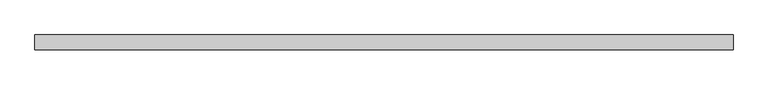
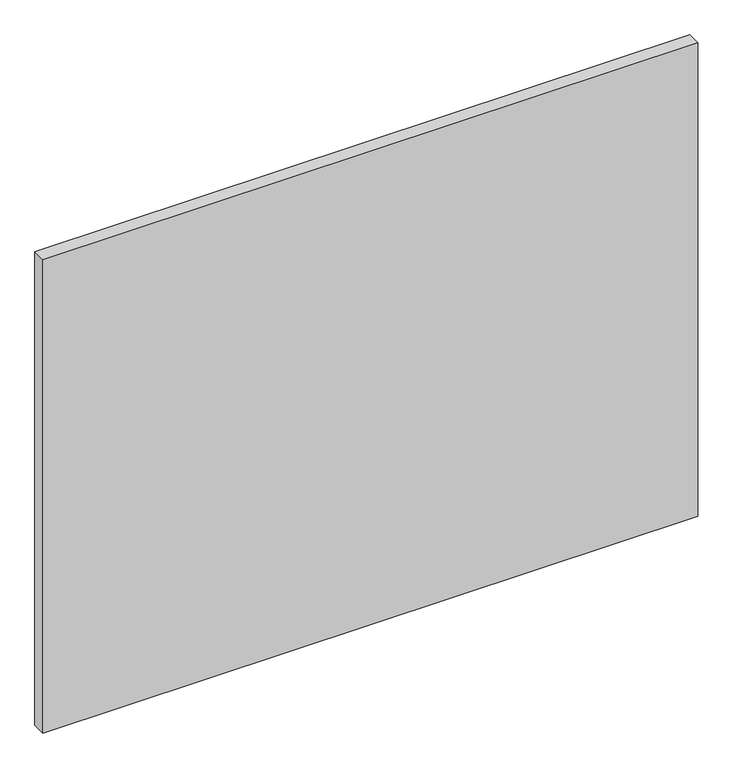
"""IFC4 building model written with IfcOpenShell, lengths in millimetres: proxy geometry."""

from ifc_helpers import new_model, si_unit, origin, origin_with_axes, place, context, project, spatial, polyline, outline, extrude, source, transform, mapped, element, save


def generic_models_a0d1ec78(model_context):
    return source(origin(), model_context, "Body", "SweptSolid", [
        extrude(outline(polyline([(1594.0, 0.0), (1594.0, -68.0), (-1594.0, -68.0), (-1594.0, 0.0), (1594.0, 0.0)])), origin_with_axes(), (0.0, 0.0, 1.0), 2436.4),
    ])


if __name__ == "__main__":
    model = new_model("IFC4")
    model_context = context("Model", 3, world=origin())
    ifc_project = project(units=[si_unit("LENGTHUNIT", "METRE", prefix="MILLI")], contexts=[model_context])
    site = spatial("IfcSite", under=ifc_project)
    building = spatial("IfcBuilding", under=site)
    placement = place(None, origin())
    generic_models_shape = generic_models_a0d1ec78(model_context)
    element("IfcBuildingElementProxy", 1, Name="Generic Models", at=placement, inside=building, context=model_context, shape_type="MappedRepresentation", body=[
        mapped(generic_models_shape, transform((0.0, 0.0, 0.0), x_axis=(1.0, 0.0, 0.0), y_axis=(0.0, 1.0, 0.0), z_axis=(0.0, 0.0, 1.0))),
    ])
    save(model, "model.ifc")
